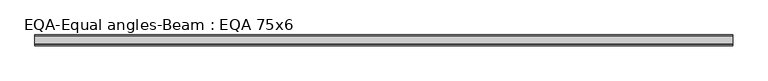
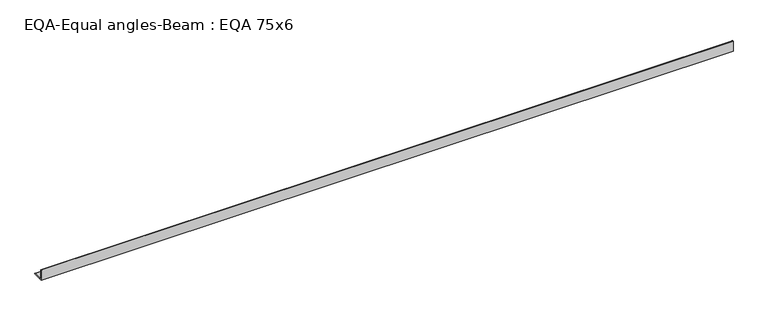
"""IFC4 building model written with IfcOpenShell, lengths in millimetres: beam geometry, EQA-Equal angles-Beam : EQA 75x6."""

from ifc_helpers import new_model, si_unit, point, frame, frame_2d, origin, place, context, project, spatial, polyline, circle_curve, trimmed, segment, composite_curve, outline, extrude, source, transform, mapped, element, save


def eqa_equal_angles_beam_eqa_75x6_764dc8c3(model_context):
    return source(origin(), model_context, "Body", "SweptSolid", [
        extrude(outline(composite_curve([segment(polyline([(-20.5, -20.5), (-20.5, 54.5), (-19.0, 54.5)]), True, "CONTINUOUS"), segment(trimmed(circle_curve(frame_2d((-19.0, 50.0)), 4.5), [point((-19.0, 54.5))], [point((-14.5, 50.0))], False, "CARTESIAN"), True, "CONTINUOUS"), segment(polyline([(-14.5, 50.0), (-14.5, -5.5)]), True, "CONTINUOUS"), segment(trimmed(circle_curve(frame_2d((-5.5, -5.5)), 9.0), [point((-14.5, -5.5))], [point((-5.5, -14.5))], True, "CARTESIAN"), True, "CONTINUOUS"), segment(polyline([(-5.5, -14.5), (50.0, -14.5)]), True, "CONTINUOUS"), segment(trimmed(circle_curve(frame_2d((50.0, -19.0)), 4.5), [point((50.0, -14.5))], [point((54.5, -19.0))], False, "CARTESIAN"), True, "CONTINUOUS"), segment(polyline([(54.5, -19.0), (54.5, -20.5), (-20.5, -20.5)]), True, "CONTINUOUS")], self_intersect=False)), frame((-2336.0842945, 0.0, 0.0), z_axis=(1.0, 0.0, 0.0), x_axis=(0.0, 1.0, 0.0)), (0.0, 0.0, 1.0), 4774.8211991),
    ])


if __name__ == "__main__":
    model = new_model("IFC4")
    model_context = context("Model", 3, world=origin())
    ifc_project = project(units=[si_unit("LENGTHUNIT", "METRE", prefix="MILLI")], contexts=[model_context])
    site = spatial("IfcSite", under=ifc_project)
    building = spatial("IfcBuilding", under=site)
    placement = place(None, origin())
    eqa_equal_angles_beam_eqa_75x6_shape = eqa_equal_angles_beam_eqa_75x6_764dc8c3(model_context)
    element("IfcBeam", 1, ObjectType="EQA-Equal angles-Beam : EQA 75x6", at=placement, inside=building, context=model_context, shape_type="MappedRepresentation", body=[
        mapped(eqa_equal_angles_beam_eqa_75x6_shape, transform((0.0, 0.0, 0.0), x_axis=(1.0, 0.0, 0.0), y_axis=(0.0, 1.0, 0.0), z_axis=(0.0, 0.0, 1.0))),
    ])
    save(model, "model.ifc")
